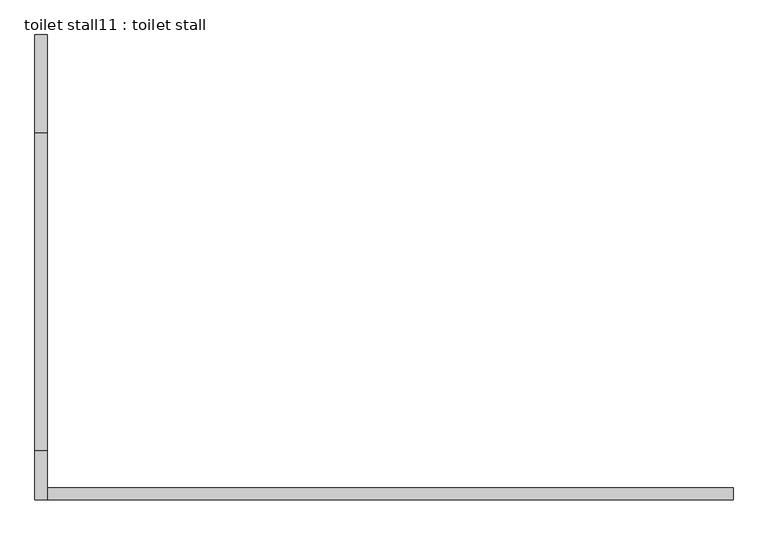
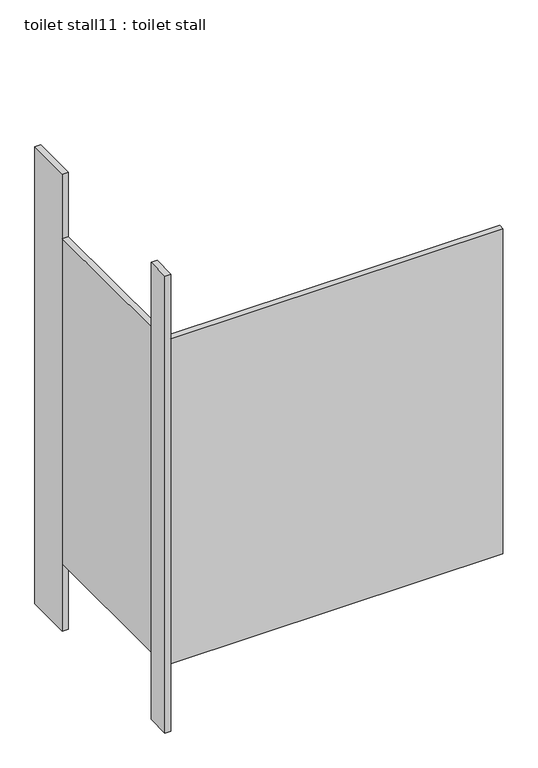
"""IFC4 building model written with IfcOpenShell, lengths in millimetres: proxy geometry, toilet stall11 : toilet stall."""

from ifc_helpers import new_model, si_unit, frame, origin, origin_with_axes, place, context, project, spatial, polyline, outline, extrude, source, transform, mapped, element, save


def toilet_stall11_toilet_stall_c608f639(model_context):
    return source(origin(), model_context, "Body", "SweptSolid", [
        extrude(outline(polyline([(454658.2004676, -275346.2988632), (454632.8004676, -275346.2988632), (454632.8004676, -275143.0988632), (454658.2004676, -275143.0988632), (454658.2004676, -275346.2988632)])), origin_with_axes(), (0.0, 0.0, 1.0), 2070.1),
        extrude(outline(polyline([(454658.2004676, -276108.2988632), (454632.8004676, -276108.2988632), (454632.8004676, -276006.6988632), (454658.2004676, -276006.6988632), (454658.2004676, -276108.2988632)])), origin_with_axes(), (0.0, 0.0, 1.0), 2070.1),
        extrude(outline(polyline([(454658.2004676, -276108.2988632), (454658.2004676, -276082.8988632), (456080.6004676, -276082.8988632), (456080.6004676, -276108.2988632), (454658.2004676, -276108.2988632)])), frame((0.0, 0.0, 304.8), z_axis=(0.0, 0.0, 1.0), x_axis=(1.0, 0.0, 0.0)), (0.0, 0.0, 1.0), 1473.2),
        extrude(outline(polyline([(454658.2004676, -276006.6988632), (454632.8004676, -276006.6988632), (454632.8004676, -275346.2988632), (454658.2004676, -275346.2988632), (454658.2004676, -276006.6988632)])), frame((0.0, 0.0, 304.8), z_axis=(0.0, 0.0, 1.0), x_axis=(1.0, 0.0, 0.0)), (0.0, 0.0, 1.0), 1473.2),
    ])


if __name__ == "__main__":
    model = new_model("IFC4")
    model_context = context("Model", 3, world=origin())
    ifc_project = project(units=[si_unit("LENGTHUNIT", "METRE", prefix="MILLI")], contexts=[model_context])
    site = spatial("IfcSite", under=ifc_project)
    building = spatial("IfcBuilding", under=site)
    placement = place(None, origin())
    toilet_stall11_toilet_stall_shape = toilet_stall11_toilet_stall_c608f639(model_context)
    element("IfcBuildingElementProxy", 1, Name="toilet stall11 : toilet stall", ObjectType="toilet stall11 : toilet stall", at=placement, inside=building, context=model_context, shape_type="MappedRepresentation", body=[
        mapped(toilet_stall11_toilet_stall_shape, transform((0.0, 0.0, 0.0), x_axis=(1.0, 0.0, 0.0), y_axis=(0.0, 1.0, 0.0), z_axis=(0.0, 0.0, 1.0))),
    ])
    save(model, "model.ifc")
